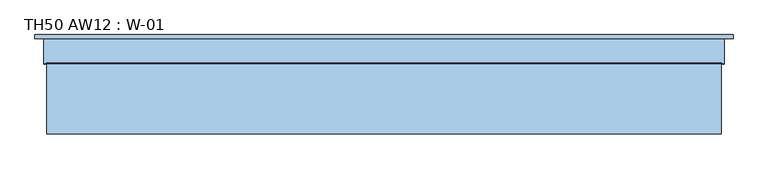
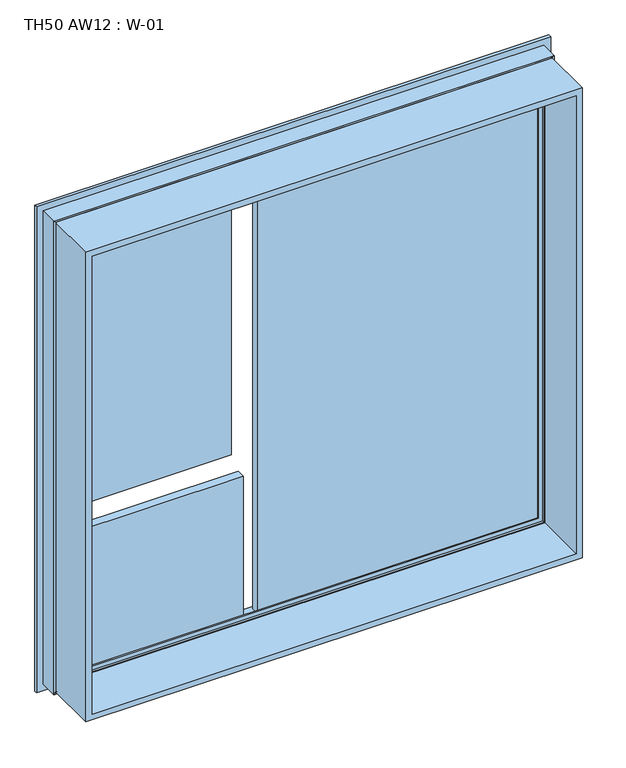
"""IFC4 building model written with IfcOpenShell, lengths in millimetres: window geometry, TH50 AW12 : W-01."""

from ifc_helpers import new_model, si_unit, frame, origin, place, context, project, spatial, polyline, ellipse_curve, outline, extrude, source, transform, mapped, element, save
from ifc_brep_helpers import plane_surface, cylinder_surface, revolved_surface, advanced_brep


def th50_aw12_w_01_ea144873(model_context):
    return source(origin(), model_context, "Body", "SolidModel", [
        advanced_brep(
        [(770.000038, 110.0, 2020.000038), (770.000038, 110.0, 479.999962), (770.000038, 118.9999375, 479.999962), (770.000038, 118.9999375, 2020.000038), (-770.000038, 118.9999375, 2020.000038), (-770.000038, 118.9999375, 479.999962), (730.0000396, 118.9999375, 1980.0000396), (-730.0000396, 118.9999375, 1980.0000396), (-730.0000396, 118.9999375, 519.9999604), (730.0000396, 118.9999375, 519.9999604), (-770.000038, 110.0, 479.999962), (-770.000038, 110.0, 2020.000038), (-750.0, 110.0, 2000.0), (750.0, 110.0, 2000.0), (750.0, 110.0, 500.0), (-750.0, 110.0, 500.0), (750.0, 54.8507969, 2000.0), (750.0, 54.8507969, 500.0), (-750.0, 54.8507969, 500.0), (745.0001465, 54.8506112, 1995.0001465), (745.0001465, 54.8506112, 504.9998535), (-745.0001465, 54.8506112, 504.9998535), (745.0001465, 56.5920405, 1995.0001465), (745.0001465, 56.5920405, 504.9998535), (-745.0001465, 56.5920405, 504.9998535), (743.8001794, 56.5908144, 1993.8001794), (743.8001794, 56.5908144, 506.1998206), (-743.8001794, 56.5908144, 506.1998206), (743.8001794, 65.9999813, 1993.8001794), (743.8001794, 65.9999813, 506.1998206), (-743.8001794, 65.9999813, 506.1998206), (-743.8001794, 65.9999813, 1993.8001794), (-724.2001794, 65.9999813, 1974.2001794), (724.2001794, 65.9999813, 1974.2001794), (724.2001794, 65.9999813, 525.7998206), (-724.2001794, 65.9999813, 525.7998206), (724.2001794, 61.9999728, 1974.2001794), (724.2001794, 61.9999728, 525.7998206), (-724.2001794, 61.9999728, 525.7998206), (-724.2001794, 61.9999728, 1974.2001794), (-722.6156704, 61.9999728, 1972.6156704), (722.6156704, 61.9999728, 1972.6156704), (722.6156704, 61.9999728, 527.3843296), (-722.6156704, 61.9999728, 527.3843296), (722.8755675, 68.9999299, 1972.8755675), (722.8755675, 68.9999299, 527.1244325), (-722.8755675, 68.9999299, 527.1244325), (-722.8755675, 68.9999299, 1972.8755675), (-710.0002274, 68.9999299, 1960.0002274), (710.0002274, 68.9999299, 1960.0002274), (710.0002274, 68.9999299, 539.9997726), (-710.0002274, 68.9999299, 539.9997726), (710.0002274, 72.5999758, 1960.0002274), (710.0002274, 72.5999758, 539.9997726), (-710.0002274, 72.5999758, 539.9997726), (-730.0000396, 72.5999758, 1980.0000396), (730.0000396, 72.5999758, 1980.0000396), (730.0000396, 72.5999758, 519.9999604), (-730.0000396, 72.5999758, 519.9999604), (-710.0002274, 72.5999758, 1960.0002274), (-750.0, 54.8507969, 2000.0), (-745.0001465, 54.8506112, 1995.0001465), (-745.0001465, 56.5920405, 1995.0001465), (-743.8001794, 56.5908144, 1993.8001794)],
        [
            (0, 1),
            (1, 2),
            (2, 3),
            (3, 0),
            (4, 3),
            (2, 5),
            (5, 4),
            (6, 7),
            (7, 8),
            (8, 9),
            (9, 6),
            (1, 10),
            (10, 5),
            (0, 11),
            (11, 10),
            (12, 13),
            (13, 14),
            (14, 15),
            (15, 12),
            (16, 17),
            (17, 14),
            (13, 16),
            (17, 18),
            (18, 15),
            (19, 20),
            (20, 17, ellipse_curve(frame((747.5001465, 52.8785929, 502.4998535), z_axis=(-0.7071067811865475, 0.0, -0.7071067811865475), x_axis=(0.7071067811865474, 0.0, -0.7071067811865476)), 4.5030781, 3.184157)),
            (16, 19, ellipse_curve(frame((747.5001465, 52.8785929, 1997.5001465), z_axis=(-0.7071067811865475, 0.0, 0.7071067811865475), x_axis=(-0.7071067811865474, 0.0, -0.7071067811865476)), 4.5030781, 3.184157)),
            (20, 21),
            (21, 18, ellipse_curve(frame((-747.5001465, 52.8785929, 502.4998535), z_axis=(-0.7071067811865475, 0.0, 0.7071067811865475), x_axis=(-0.7071067811865476, 0.0, -0.7071067811865474)), 4.5030781, 3.184157)),
            (22, 23),
            (23, 20),
            (19, 22),
            (23, 24),
            (24, 21),
            (25, 26),
            (26, 23, ellipse_curve(frame((744.4001534, 56.6007652, 505.5998466), z_axis=(0.7071067811865475, 0.0, 0.7071067811865475), x_axis=(-0.7071067811865474, 0.0, 0.7071067811865476)), 0.8486081, 0.6000566)),
            (22, 25, ellipse_curve(frame((744.4001534, 56.6007652, 1994.4001534), z_axis=(0.7071067811865475, 0.0, -0.7071067811865475), x_axis=(0.7071067811865474, 0.0, 0.7071067811865476)), 0.8486081, 0.6000566)),
            (26, 27),
            (27, 24, ellipse_curve(frame((-744.4001534, 56.6007652, 505.5998466), z_axis=(0.7071067811865475, 0.0, -0.7071067811865475), x_axis=(0.7071067811865476, 0.0, 0.7071067811865474)), 0.8486081, 0.6000566)),
            (28, 29),
            (29, 26),
            (25, 28),
            (29, 30),
            (30, 27),
            (28, 31),
            (31, 30),
            (32, 33),
            (33, 34),
            (34, 35),
            (35, 32),
            (36, 37),
            (37, 34),
            (33, 36),
            (37, 38),
            (38, 35),
            (36, 39),
            (39, 38),
            (40, 41),
            (41, 42),
            (42, 43),
            (43, 40),
            (44, 45),
            (45, 42),
            (41, 44),
            (45, 46),
            (46, 43),
            (44, 47),
            (47, 46),
            (48, 49),
            (49, 50),
            (50, 51),
            (51, 48),
            (52, 53),
            (53, 50),
            (49, 52),
            (53, 54),
            (54, 51),
            (55, 56),
            (56, 57),
            (57, 58),
            (58, 55),
            (52, 59),
            (59, 54),
            (9, 57),
            (56, 6),
            (8, 58),
            (11, 4),
            (18, 60),
            (60, 12),
            (21, 61),
            (61, 60, ellipse_curve(frame((-747.5001465, 52.8785929, 1997.5001465), z_axis=(0.7071067811865475, 0.0, 0.7071067811865475), x_axis=(-0.7071067811865474, 0.0, 0.7071067811865476)), 4.5030781, 3.184157)),
            (24, 62),
            (62, 61),
            (27, 63),
            (63, 62, ellipse_curve(frame((-744.4001534, 56.6007652, 1994.4001534), z_axis=(-0.7071067811865475, 0.0, -0.7071067811865475), x_axis=(0.7071067811865474, 0.0, -0.7071067811865476)), 0.8486081, 0.6000566)),
            (31, 63),
            (39, 32),
            (47, 40),
            (59, 48),
            (7, 55),
            (60, 16),
            (61, 19),
            (62, 22),
            (63, 25),
        ],
        [
            plane_surface(frame((770.000038, 118.9999375, 2020.000038), z_axis=(1.0, 0.0, 0.0), x_axis=(0.0, 0.0, -1.0))),
            plane_surface(frame((-730.0000396, 118.9999375, 519.9999604), z_axis=(0.0, 1.0, 0.0), x_axis=(0.0, 0.0, 1.0))),
            plane_surface(frame((770.000038, 118.9999375, 479.999962), z_axis=(0.0, 0.0, -1.0), x_axis=(-1.0, 0.0, 0.0))),
            plane_surface(frame((-770.000038, 110.0, 479.999962), z_axis=(0.0, -1.0, 0.0), x_axis=(0.0, 0.0, 1.0))),
            plane_surface(frame((750.0, 110.0, 2000.0), z_axis=(1.0, 0.0, 0.0), x_axis=(0.0, 0.0, -1.0))),
            plane_surface(frame((750.0, 110.0, 500.0), z_axis=(0.0, 0.0, -1.0), x_axis=(-1.0, 0.0, 0.0))),
            revolved_surface(polyline([(750.6843035, 52.8785929, 499.3156964392774), (750.6843035, 52.8785929, 2000.6843035607226)]), (747.5001465, 52.8785929, 2000.0), (0.0, 0.0, -1.0)),
            revolved_surface(polyline([(-750.6843035607226, 52.8785929, 499.31569649999994), (750.6843035607227, 52.8785929, 499.31569649999994)]), (750.0, 52.8785929, 502.4998535), (-1.0, 0.0, 0.0)),
            plane_surface(frame((745.0001465, 54.8506112, 1995.0001465), z_axis=(-1.0, 0.0, 0.0), x_axis=(0.0, 0.0, -1.0))),
            plane_surface(frame((745.0001465, 54.8506112, 504.9998535), z_axis=(0.0, 0.0, 1.0), x_axis=(-1.0, 0.0, 0.0))),
            cylinder_surface(frame((744.4001534, 56.6007652, 2000.0), z_axis=(0.0, 0.0, 1.0), x_axis=(1.0, 0.0, 0.0)), 0.6000566),
            cylinder_surface(frame((750.0, 56.6007652, 505.5998466), z_axis=(1.0, 0.0, 0.0), x_axis=(0.0, 0.0, -1.0)), 0.6000566),
            plane_surface(frame((743.8001794, 56.5908144, 1993.8001794), z_axis=(-1.0, 0.0, 0.0), x_axis=(0.0, 0.0, -1.0))),
            plane_surface(frame((743.8001794, 56.5908144, 506.1998206), z_axis=(0.0, 0.0, 1.0), x_axis=(-1.0, 0.0, 0.0))),
            plane_surface(frame((-743.8001794, 65.9999813, 506.1998206), z_axis=(0.0, -1.0, 0.0), x_axis=(0.0, 0.0, 1.0))),
            plane_surface(frame((724.2001794, 65.9999813, 1974.2001794), z_axis=(1.0, 0.0, 0.0), x_axis=(0.0, 0.0, -1.0))),
            plane_surface(frame((724.2001794, 65.9999813, 525.7998206), z_axis=(0.0, 0.0, -1.0), x_axis=(-1.0, 0.0, 0.0))),
            plane_surface(frame((-724.2001794, 61.9999728, 525.7998206), z_axis=(0.0, -1.0, 0.0), x_axis=(0.0, 0.0, 1.0))),
            plane_surface(frame((722.6156704, 61.9999728, 1972.6156704), z_axis=(-0.9993114533203385, 0.037102820146087845, 0.0), x_axis=(0.0, 0.0, -1.0))),
            plane_surface(frame((722.6156704, 61.9999728, 527.3843296), z_axis=(0.0, 0.03710282014607545, 0.999311453320339), x_axis=(-1.0, 0.0, 0.0))),
            plane_surface(frame((-722.8755675, 68.9999299, 527.1244325), z_axis=(0.0, -1.0, 0.0), x_axis=(0.0, 0.0, 1.0))),
            plane_surface(frame((710.0002274, 68.9999299, 1960.0002274), z_axis=(-1.0, 0.0, 0.0), x_axis=(0.0, 0.0, -1.0))),
            plane_surface(frame((710.0002274, 68.9999299, 539.9997726), z_axis=(0.0, 0.0, 1.0), x_axis=(-1.0, 0.0, 0.0))),
            plane_surface(frame((-710.0002274, 72.5999758, 539.9997726), z_axis=(0.0, 1.0, 0.0), x_axis=(0.0, 0.0, 1.0))),
            plane_surface(frame((730.0000396, 72.5999758, 1980.0000396), z_axis=(-1.0, 0.0, 0.0), x_axis=(0.0, 0.0, -1.0))),
            plane_surface(frame((730.0000396, 72.5999758, 519.9999604), z_axis=(0.0, 0.0, 1.0), x_axis=(-1.0, 0.0, 0.0))),
            plane_surface(frame((-770.000038, 118.9999375, 479.999962), z_axis=(-1.0, 0.0, 0.0), x_axis=(0.0, 0.0, 1.0))),
            plane_surface(frame((-750.0, 110.0, 500.0), z_axis=(-1.0, 0.0, 0.0), x_axis=(0.0, 0.0, 1.0))),
            revolved_surface(polyline([(-750.6843035, 52.8785929, 2000.6843035607226), (-750.6843035, 52.8785929, 499.31569643927736)]), (-747.5001465, 52.8785929, 500.0), (0.0, 0.0, 1.0)),
            plane_surface(frame((-745.0001465, 54.8506112, 504.9998535), z_axis=(1.0, 0.0, 0.0), x_axis=(0.0, 0.0, 1.0))),
            cylinder_surface(frame((-744.4001534, 56.6007652, 500.0), z_axis=(0.0, 0.0, -1.0), x_axis=(-1.0, 0.0, 0.0)), 0.6000566),
            plane_surface(frame((-743.8001794, 56.5908144, 506.1998206), z_axis=(1.0, 0.0, 0.0), x_axis=(0.0, 0.0, 1.0))),
            plane_surface(frame((-724.2001794, 65.9999813, 525.7998206), z_axis=(-1.0, 0.0, 0.0), x_axis=(0.0, 0.0, 1.0))),
            plane_surface(frame((-722.6156704, 61.9999728, 527.3843296), z_axis=(0.9993114533203394, 0.03710282014606306, 0.0), x_axis=(0.0, 0.0, 1.0))),
            plane_surface(frame((-710.0002274, 68.9999299, 539.9997726), z_axis=(1.0, 0.0, 0.0), x_axis=(0.0, 0.0, 1.0))),
            plane_surface(frame((-730.0000396, 72.5999758, 519.9999604), z_axis=(1.0, 0.0, 0.0), x_axis=(0.0, 0.0, 1.0))),
            plane_surface(frame((-770.000038, 118.9999375, 2020.000038), z_axis=(0.0, 0.0, 1.0), x_axis=(1.0, 0.0, 0.0))),
            plane_surface(frame((-750.0, 110.0, 2000.0), z_axis=(0.0, 0.0, 1.0), x_axis=(1.0, 0.0, 0.0))),
            revolved_surface(polyline([(750.6843035607226, 52.8785929, 2000.6843035), (-750.6843035607227, 52.8785929, 2000.6843035)]), (-750.0, 52.8785929, 1997.5001465), (1.0, 0.0, 0.0)),
            plane_surface(frame((-745.0001465, 54.8506112, 1995.0001465), z_axis=(0.0, 0.0, -1.0), x_axis=(1.0, 0.0, 0.0))),
            cylinder_surface(frame((-750.0, 56.6007652, 1994.4001534), z_axis=(-1.0, 0.0, 0.0), x_axis=(0.0, 0.0, 1.0)), 0.6000566),
            plane_surface(frame((-743.8001794, 56.5908144, 1993.8001794), z_axis=(0.0, 0.0, -1.0), x_axis=(1.0, 0.0, 0.0))),
            plane_surface(frame((-724.2001794, 65.9999813, 1974.2001794), z_axis=(0.0, 0.0, 1.0), x_axis=(1.0, 0.0, 0.0))),
            plane_surface(frame((-722.6156704, 61.9999728, 1972.6156704), z_axis=(0.0, 0.03710282014607545, -0.999311453320339), x_axis=(1.0, 0.0, 0.0))),
            plane_surface(frame((-710.0002274, 68.9999299, 1960.0002274), z_axis=(0.0, 0.0, -1.0), x_axis=(1.0, 0.0, 0.0))),
            plane_surface(frame((-730.0000396, 72.5999758, 1980.0000396), z_axis=(0.0, 0.0, -1.0), x_axis=(1.0, 0.0, 0.0))),
        ],
        [
            (0, [[1, 2, 3, 4]]),
            (1, [[5, -3, 6, 7], [8, 9, 10, 11]]),
            (2, [[12, 13, -6, -2]]),
            (3, [[14, 15, -12, -1], [16, 17, 18, 19]]),
            (4, [[20, 21, -17, 22]]),
            (5, [[23, 24, -18, -21]]),
            (6, [[25, 26, -20, 27]]),
            (7, [[28, 29, -23, -26]]),
            (8, [[30, 31, -25, 32]]),
            (9, [[33, 34, -28, -31]]),
            (10, [[35, 36, -30, 37]]),
            (11, [[38, 39, -33, -36]]),
            (12, [[40, 41, -35, 42]]),
            (13, [[43, 44, -38, -41]]),
            (14, [[45, 46, -43, -40], [47, 48, 49, 50]]),
            (15, [[51, 52, -48, 53]]),
            (16, [[54, 55, -49, -52]]),
            (17, [[56, 57, -54, -51], [58, 59, 60, 61]]),
            (18, [[62, 63, -59, 64]]),
            (19, [[65, 66, -60, -63]]),
            (20, [[67, 68, -65, -62], [69, 70, 71, 72]]),
            (21, [[73, 74, -70, 75]]),
            (22, [[76, 77, -71, -74]]),
            (23, [[78, 79, 80, 81], [82, 83, -76, -73]]),
            (24, [[-11, 84, -79, 85]]),
            (25, [[-10, 86, -80, -84]]),
            (26, [[-15, 87, -7, -13]]),
            (27, [[88, 89, -19, -24]]),
            (28, [[90, 91, -88, -29]]),
            (29, [[92, 93, -90, -34]]),
            (30, [[94, 95, -92, -39]]),
            (31, [[-46, 96, -94, -44]]),
            (32, [[-57, 97, -50, -55]]),
            (33, [[-68, 98, -61, -66]]),
            (34, [[-83, 99, -72, -77]]),
            (35, [[-9, 100, -81, -86]]),
            (36, [[-14, -4, -5, -87]]),
            (37, [[101, -22, -16, -89]]),
            (38, [[102, -27, -101, -91]]),
            (39, [[103, -32, -102, -93]]),
            (40, [[104, -37, -103, -95]]),
            (41, [[-45, -42, -104, -96]]),
            (42, [[-56, -53, -47, -97]]),
            (43, [[-67, -64, -58, -98]]),
            (44, [[-82, -75, -69, -99]]),
            (45, [[-8, -85, -78, -100]]),
        ],
    ),
        extrude(outline(polyline([(-692.4, 81.9927036), (-692.4, 107.9927036), (-202.6, 107.9927036), (-202.6, 81.9927036), (-692.4, 81.9927036)])), frame((0.0, 0.0, 1052.2), z_axis=(0.0, 0.0, 1.0), x_axis=(1.0, 0.0, 0.0)), (0.0, 0.0, 1.0), 890.2),
        extrude(outline(polyline([(-723.0, 74.4), (-723.0, 100.4), (-172.0, 100.4), (-172.0, 74.4), (-723.0, 74.4)])), frame((0.0, 0.0, 527.0), z_axis=(0.0, 0.0, 1.0), x_axis=(1.0, 0.0, 0.0)), (0.0, 0.0, 1.0), 451.0),
        extrude(outline(polyline([(-128.0, 74.4), (-128.0, 100.4), (723.0, 100.4), (723.0, 74.4), (-128.0, 74.4)])), frame((0.0, 0.0, 527.0), z_axis=(0.0, 0.0, 1.0), x_axis=(1.0, 0.0, 0.0)), (0.0, 0.0, 1.0), 1446.0),
        extrude(outline(polyline([(1993.8, 743.8), (1993.8, -743.8), (506.2, -743.8), (506.2, 743.8), (1993.8, 743.8)]), holes=[polyline([(524.7, 725.3), (524.7, -725.3), (1975.3, -725.3), (1975.3, 725.3), (524.7, 725.3)])]), frame((0.0, -100.0, 0.0), z_axis=(0.0, 1.0, 0.0), x_axis=(0.0, 0.0, 1.0)), (0.0, 0.0, 1.0), 165.9999813),
    ])


if __name__ == "__main__":
    model = new_model("IFC4")
    model_context = context("Model", 3, world=origin())
    ifc_project = project(units=[si_unit("LENGTHUNIT", "METRE", prefix="MILLI")], contexts=[model_context])
    site = spatial("IfcSite", under=ifc_project)
    building = spatial("IfcBuilding", under=site)
    placement = place(None, origin())
    th50_aw12_w_01_shape = th50_aw12_w_01_ea144873(model_context)
    element("IfcWindow", 1, ObjectType="TH50 AW12 : W-01", at=placement, inside=building, context=model_context, shape_type="MappedRepresentation", body=[
        mapped(th50_aw12_w_01_shape, transform((0.0, 0.0, 0.0), x_axis=(1.0, 0.0, 0.0), y_axis=(0.0, 1.0, 0.0), z_axis=(0.0, 0.0, 1.0))),
    ])
    save(model, "model.ifc")
